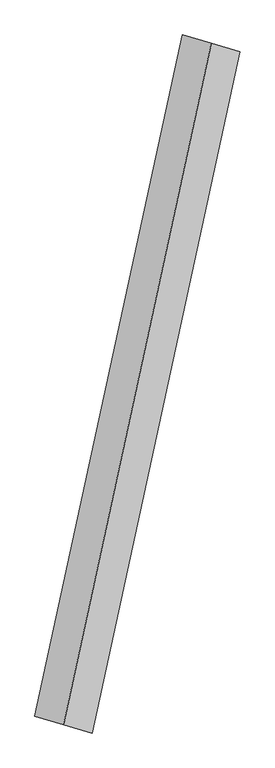
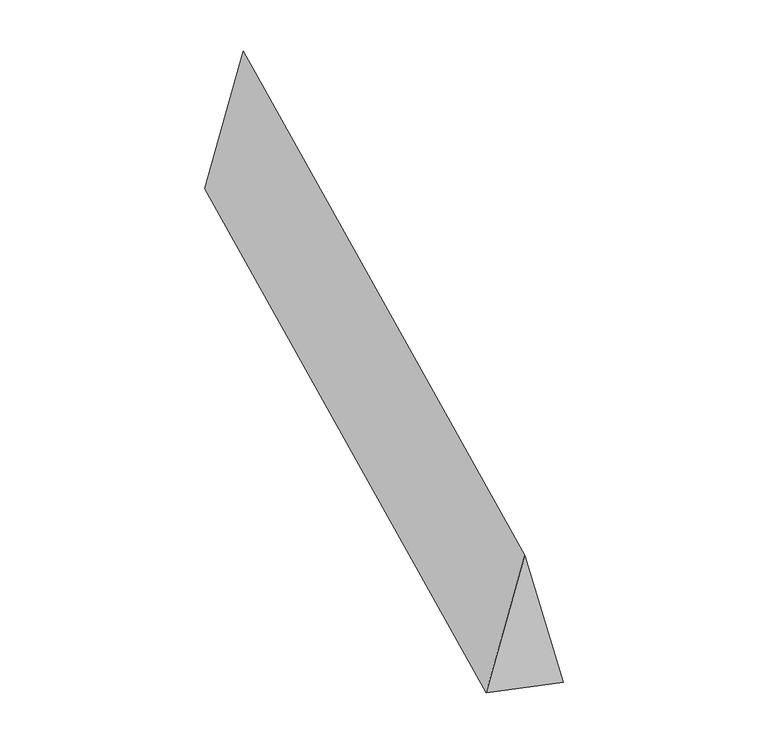
"""IFC4 building model written with IfcOpenShell, lengths in millimetres: proxy geometry."""

from ifc_helpers import new_model, si_unit, origin, place, context, project, spatial, faceted_brep, source, transform, mapped, element, save


def generic_models_abaed2cc(model_context):
    return source(origin(), model_context, "Body", "Brep", [
        faceted_brep([(-425.5054622, -1959.7229212, 700.0), (-259.8484023, -2008.6355907, 0.0), (591.1625222, 1910.8102517, 0.0), (425.5054622, 1959.7229212, 700.0), (-591.1625222, -1910.8102517, 0.0), (259.8484023, 2008.6355907, 0.0)], [[[0, 1, 2, 3]], [[1, 4, 5, 2]], [[4, 0, 3, 5]], [[3, 2, 5]], [[0, 4, 1]]]),
    ])


if __name__ == "__main__":
    model = new_model("IFC4")
    model_context = context("Model", 3, world=origin())
    ifc_project = project(units=[si_unit("LENGTHUNIT", "METRE", prefix="MILLI")], contexts=[model_context])
    site = spatial("IfcSite", under=ifc_project)
    building = spatial("IfcBuilding", under=site)
    placement = place(None, origin())
    generic_models_shape = generic_models_abaed2cc(model_context)
    element("IfcBuildingElementProxy", 1, Name="Generic Models", at=placement, inside=building, context=model_context, shape_type="MappedRepresentation", body=[
        mapped(generic_models_shape, transform((0.0, 0.0, 0.0), x_axis=(1.0, 0.0, 0.0), y_axis=(0.0, 1.0, 0.0), z_axis=(0.0, 0.0, 1.0))),
    ])
    save(model, "model.ifc")
